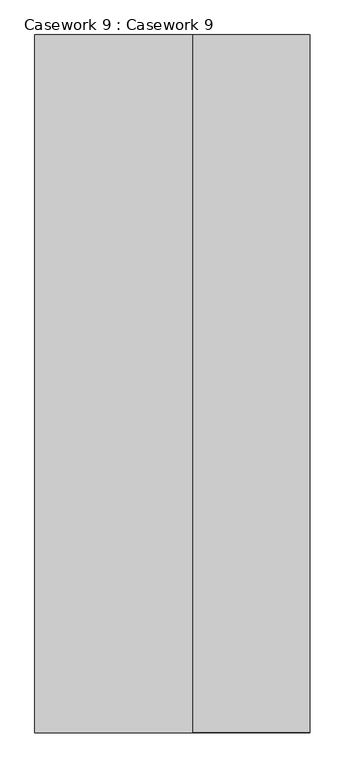
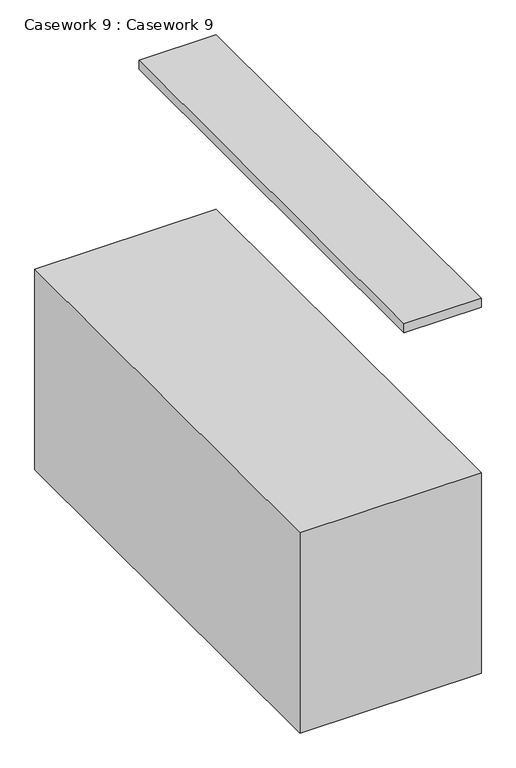
"""IFC4 building model written with IfcOpenShell, lengths in millimetres: furniture geometry, Casework 9 : Casework 9."""

from ifc_helpers import new_model, si_unit, frame, origin, place, context, project, spatial, polyline, outline, extrude, source, transform, mapped, element, save


def casework_9_casework_9_51e41d0c(model_context):
    return source(origin(), model_context, "Body", "SweptSolid", [
        extrude(outline(polyline([(-15033.8250886, 25607.0752841), (-14709.9750886, 25607.0752841), (-14709.9750886, 23676.6752841), (-15033.8250886, 23676.6752841), (-15033.8250886, 25607.0752841)])), frame((0.0, 0.0, -12496.883654), z_axis=(0.0, 0.0, 1.0), x_axis=(1.0, 0.0, 0.0)), (0.0, 0.0, 1.0), 38.183654),
        extrude(outline(polyline([(-15471.9750886, 25607.0752841), (-14709.9750886, 25607.0752841), (-14709.9750886, 23676.6752841), (-15471.9750886, 23676.6752841), (-15471.9750886, 25607.0752841)])), frame((0.0, 0.0, -14122.4), z_axis=(0.0, 0.0, 1.0), x_axis=(1.0, 0.0, 0.0)), (0.0, 0.0, 1.0), 889.3826309),
    ])


if __name__ == "__main__":
    model = new_model("IFC4")
    model_context = context("Model", 3, world=origin())
    ifc_project = project(units=[si_unit("LENGTHUNIT", "METRE", prefix="MILLI")], contexts=[model_context])
    site = spatial("IfcSite", under=ifc_project)
    building = spatial("IfcBuilding", under=site)
    placement = place(None, origin())
    casework_9_casework_9_shape = casework_9_casework_9_51e41d0c(model_context)
    element("IfcFurniture", 1, ObjectType="Casework 9 : Casework 9", at=placement, inside=building, context=model_context, shape_type="MappedRepresentation", body=[
        mapped(casework_9_casework_9_shape, transform((0.0, 0.0, 0.0), x_axis=(1.0, 0.0, 0.0), y_axis=(0.0, 1.0, 0.0), z_axis=(0.0, 0.0, 1.0))),
    ])
    save(model, "model.ifc")
